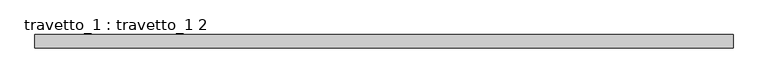
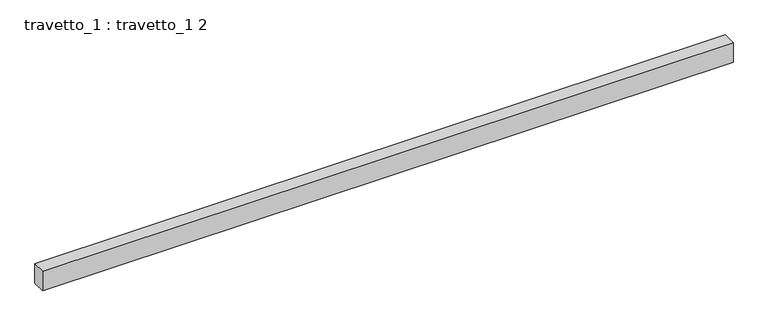
"""IFC4 building model written with IfcOpenShell, lengths in millimetres: proxy geometry, travetto_1 : travetto_1 2."""

from ifc_helpers import new_model, si_unit, origin, origin_with_axes, place, context, project, spatial, polyline, outline, extrude, source, transform, mapped, element, save


def travetto_1_travetto_1_2_d0bd0cc4(model_context):
    return source(origin(), model_context, "Body", "SweptSolid", [
        extrude(outline(polyline([(7712.5595169, 75.0), (7712.5595169, -75.0), (0.0, -75.0), (0.0, 75.0), (7712.5595169, 75.0)])), origin_with_axes(), (0.0, 0.0, 1.0), 230.0),
    ])


if __name__ == "__main__":
    model = new_model("IFC4")
    model_context = context("Model", 3, world=origin())
    ifc_project = project(units=[si_unit("LENGTHUNIT", "METRE", prefix="MILLI")], contexts=[model_context])
    site = spatial("IfcSite", under=ifc_project)
    building = spatial("IfcBuilding", under=site)
    placement = place(None, origin())
    travetto_1_travetto_1_2_shape = travetto_1_travetto_1_2_d0bd0cc4(model_context)
    element("IfcBuildingElementProxy", 1, Name="travetto_1 : travetto_1 2", ObjectType="travetto_1 : travetto_1 2", at=placement, inside=building, context=model_context, shape_type="MappedRepresentation", body=[
        mapped(travetto_1_travetto_1_2_shape, transform((0.0, 0.0, 0.0), x_axis=(1.0, 0.0, 0.0), y_axis=(0.0, 1.0, 0.0), z_axis=(0.0, 0.0, 1.0))),
    ])
    save(model, "model.ifc")
